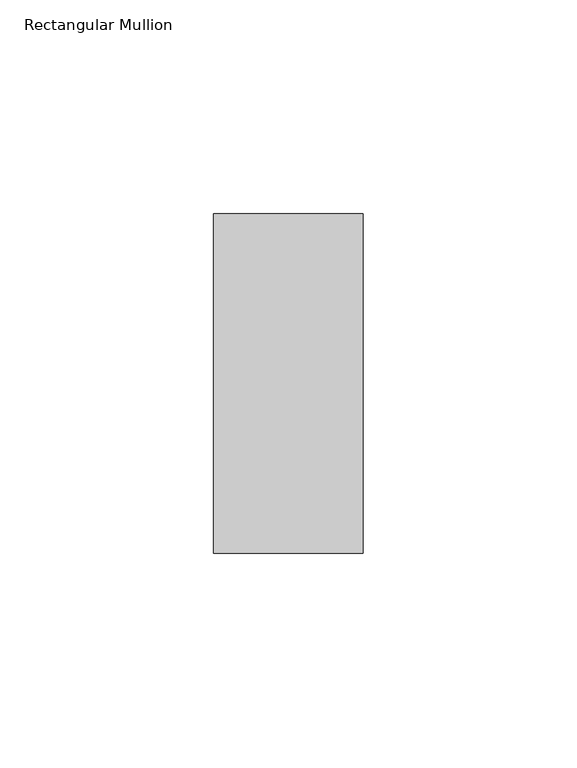
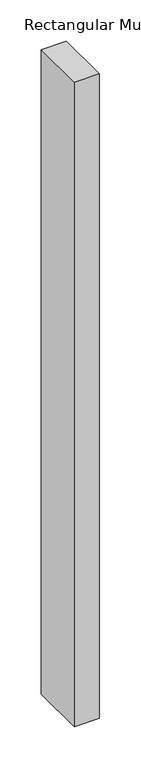
"""IFC4 building model written with IfcOpenShell, lengths in millimetres: member geometry, Rectangular Mullion."""

from ifc_helpers import new_model, si_unit, frame, origin, place, context, project, spatial, polyline, outline, extrude, source, transform, mapped, element, save


def rectangular_mullion_c1d5b266(model_context):
    return source(origin(), model_context, "Body", "SweptSolid", [
        extrude(outline(polyline([(0.0, 34.925), (0.0, -44.45), (-34.925, -44.45), (-34.925, 34.925), (0.0, 34.925)])), frame((0.0, 0.0, -950.9125), z_axis=(0.0, 0.0, 1.0), x_axis=(1.0, 0.0, 0.0)), (0.0, 0.0, 1.0), 950.9125),
    ])


if __name__ == "__main__":
    model = new_model("IFC4")
    model_context = context("Model", 3, world=origin())
    ifc_project = project(units=[si_unit("LENGTHUNIT", "METRE", prefix="MILLI")], contexts=[model_context])
    site = spatial("IfcSite", under=ifc_project)
    building = spatial("IfcBuilding", under=site)
    placement = place(None, origin())
    rectangular_mullion_shape = rectangular_mullion_c1d5b266(model_context)
    element("IfcMember", 1, ObjectType="Rectangular Mullion", at=placement, inside=building, context=model_context, shape_type="MappedRepresentation", body=[
        mapped(rectangular_mullion_shape, transform((0.0, 0.0, 0.0), x_axis=(1.0, 0.0, 0.0), y_axis=(0.0, 1.0, 0.0), z_axis=(0.0, 0.0, 1.0))),
    ])
    save(model, "model.ifc")
